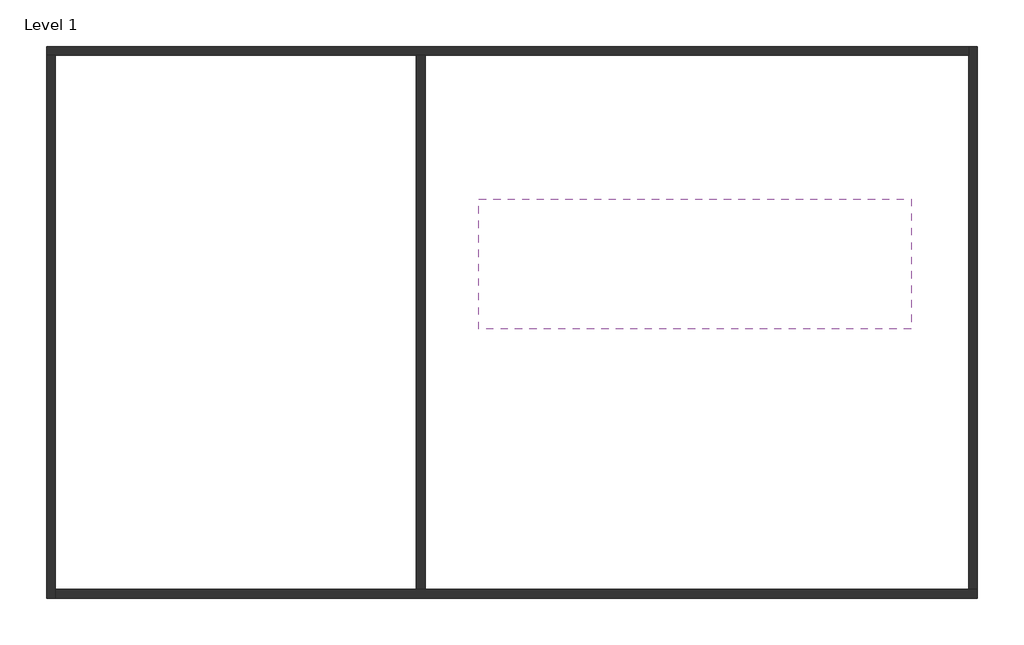
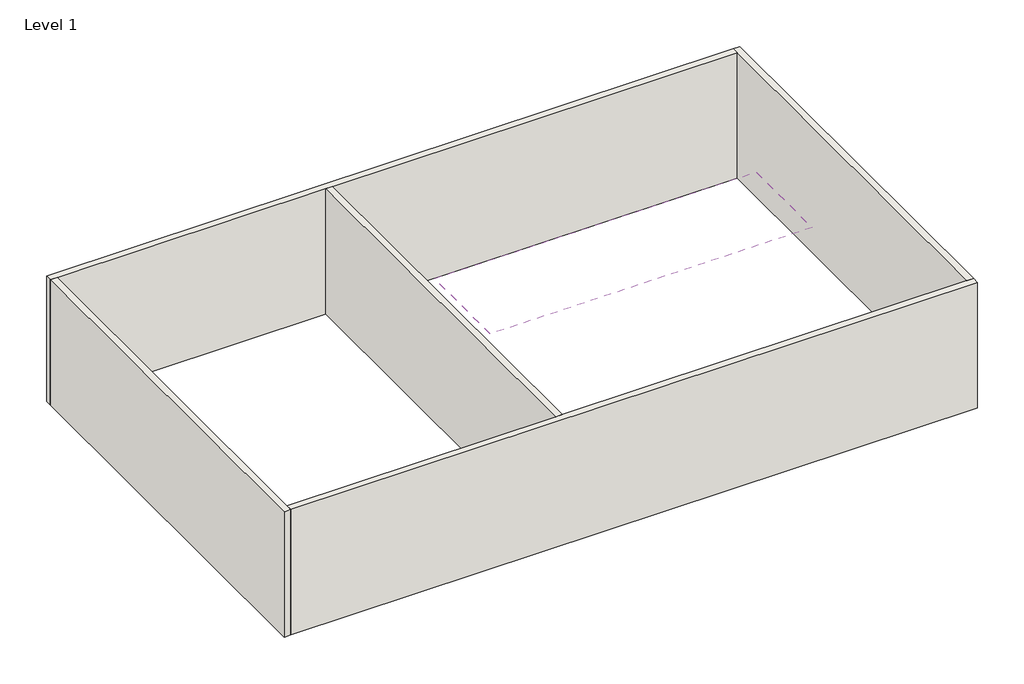
# One storey: 5 walls, 1 covering.
"""IFC4 building model written with IfcOpenShell, lengths in millimetres."""

from ifc_helpers import new_model, si_unit, frame, origin, origin_with_axes, place, context, project, spatial, polyline, outline, extrude, faceted_brep, element, save

model = new_model("IFC4")

# Units and contexts
model_context = context("Model", 3, world=origin())
ifc_project = project(units=[si_unit("LENGTHUNIT", "METRE", prefix="MILLI")], contexts=[model_context])

# Site, building, storey
site = spatial("IfcSite", under=ifc_project)
building = spatial("IfcBuilding", under=site)
storey = spatial("IfcBuildingStorey", under=building, Name="Level 1", Elevation=0.0)

# Covering
placement = place(None, origin())
element("IfcCovering", 1, ObjectType="Ceiling 2", at=placement, inside=storey, context=model_context, shape_type="SweptSolid", body=[
    extrude(outline(polyline([(9423.3883348, 9535.4781972), (19123.3729019, 9535.4781972), (19123.3729019, 6615.8097), (9423.3883348, 6615.8097), (9423.3883348, 9535.4781972)]), holes=[polyline([(16914.2208659, 9249.8421639), (17778.6173529, 7752.5400965), (18642.9083915, 9249.599975), (16914.2208659, 9249.8421639)]), polyline([(17243.8133107, 7430.2614073), (16379.489653, 8927.3024534), (15515.1257908, 7429.9815521), (17243.8133107, 7430.2614073)]), polyline([(15840.9083915, 9249.599975), (14112.2208659, 9249.8421639), (14976.6173529, 7752.5400965), (15840.9083915, 9249.599975)]), polyline([(13572.489653, 8927.3024534), (12708.1257908, 7429.9815521), (14436.8133107, 7430.2614073), (13572.489653, 8927.3024534)]), polyline([(13038.9083915, 9249.599975), (11310.2208659, 9249.8421639), (12174.6173529, 7752.5400965), (13038.9083915, 9249.599975)]), polyline([(11635.9247332, 7430.2048763), (10771.6989343, 8927.3024174), (9907.2371987, 7430.03802), (11635.9247332, 7430.2048763)])]), frame((0.0, 0.0, 2600.0), z_axis=(0.0, 0.0, 1.0), x_axis=(1.0, 0.0, 0.0)), (0.0, 0.0, 1.0), 300.0),
])

# Walls
element("IfcWall", 2, ObjectType="Wall 1", at=placement, inside=storey, context=model_context, shape_type="Brep", body=[
    faceted_brep([(-285.3708791, 12763.0494505, 0.0), (-85.3708791, 12763.0494505, 0.0), (8014.6291209, 12763.0494505, 0.0), (8214.6291209, 12763.0494505, 0.0), (20414.6291209, 12763.0494505, 0.0), (20414.6291209, 12763.0494505, 4000.0), (8214.6291209, 12763.0494505, 4000.0), (8014.6291209, 12763.0494505, 4000.0), (-85.3708791, 12763.0494505, 4000.0), (-285.3708791, 12763.0494505, 4000.0), (-285.3708791, 12963.0494505, 0.0), (-285.3708791, 12963.0494505, 4000.0), (20414.6291209, 12963.0494505, 4000.0), (20414.6291209, 12963.0494505, 0.0)], [[[0, 1, 2, 3, 4, 5, 6, 7, 8, 9]], [[10, 11, 12, 13]], [[4, 3, 2, 1, 0, 10, 13]], [[9, 8, 7, 6, 5, 12, 11]], [[0, 9, 11, 10]], [[5, 4, 13, 12]]]),
])
element("IfcWall", 3, ObjectType="Wall 1", at=placement, inside=storey, context=model_context, shape_type="Brep", body=[
    faceted_brep([(-85.3708791, 563.0494505, 0.0), (-85.3708791, 763.0494505, 0.0), (-85.3708791, 12763.0494505, 0.0), (-85.3708791, 12763.0494505, 4000.0), (-85.3708791, 763.0494505, 4000.0), (-85.3708791, 563.0494505, 4000.0), (-285.3708791, 563.0494505, 0.0), (-285.3708791, 563.0494505, 4000.0), (-285.3708791, 12763.0494505, 4000.0), (-285.3708791, 12763.0494505, 0.0)], [[[0, 1, 2, 3, 4, 5]], [[6, 7, 8, 9]], [[2, 1, 0, 6, 9]], [[5, 4, 3, 8, 7]], [[0, 5, 7, 6]], [[3, 2, 9, 8]]]),
])
element("IfcWall", 4, ObjectType="Wall 1", at=placement, inside=storey, context=model_context, shape_type="Brep", body=[
    faceted_brep([(20614.6291209, 763.0494505, 0.0), (20414.6291209, 763.0494505, 0.0), (8214.6291209, 763.0494505, 0.0), (8014.6291209, 763.0494505, 0.0), (-85.3708791, 763.0494505, 0.0), (-85.3708791, 763.0494505, 4000.0), (8014.6291209, 763.0494505, 4000.0), (8214.6291209, 763.0494505, 4000.0), (20414.6291209, 763.0494505, 4000.0), (20614.6291209, 763.0494505, 4000.0), (20614.6291209, 563.0494505, 0.0), (20614.6291209, 563.0494505, 4000.0), (-85.3708791, 563.0494505, 4000.0), (-85.3708791, 563.0494505, 0.0)], [[[0, 1, 2, 3, 4, 5, 6, 7, 8, 9]], [[10, 11, 12, 13]], [[4, 3, 2, 1, 0, 10, 13]], [[9, 8, 7, 6, 5, 12, 11]], [[0, 9, 11, 10]], [[5, 4, 13, 12]]]),
])
element("IfcWall", 5, ObjectType="Wall 1", at=placement, inside=storey, context=model_context, shape_type="Brep", body=[
    faceted_brep([(20414.6291209, 12963.0494505, 0.0), (20414.6291209, 12763.0494505, 0.0), (20414.6291209, 763.0494505, 0.0), (20414.6291209, 763.0494505, 4000.0), (20414.6291209, 12763.0494505, 4000.0), (20414.6291209, 12963.0494505, 4000.0), (20614.6291209, 12963.0494505, 0.0), (20614.6291209, 12963.0494505, 4000.0), (20614.6291209, 763.0494505, 4000.0), (20614.6291209, 763.0494505, 0.0)], [[[0, 1, 2, 3, 4, 5]], [[6, 7, 8, 9]], [[2, 1, 0, 6, 9]], [[5, 4, 3, 8, 7]], [[0, 5, 7, 6]], [[3, 2, 9, 8]]]),
])
element("IfcWall", 6, ObjectType="Wall 1", at=placement, inside=storey, context=model_context, shape_type="SweptSolid", body=[
    extrude(outline(polyline([(8014.6291209, 763.0494505), (8014.6291209, 12763.0494505), (8214.6291209, 12763.0494505), (8214.6291209, 763.0494505), (8014.6291209, 763.0494505)])), origin_with_axes(), (0.0, 0.0, 1.0), 4000.0),
])

save(model, "model.ifc")
